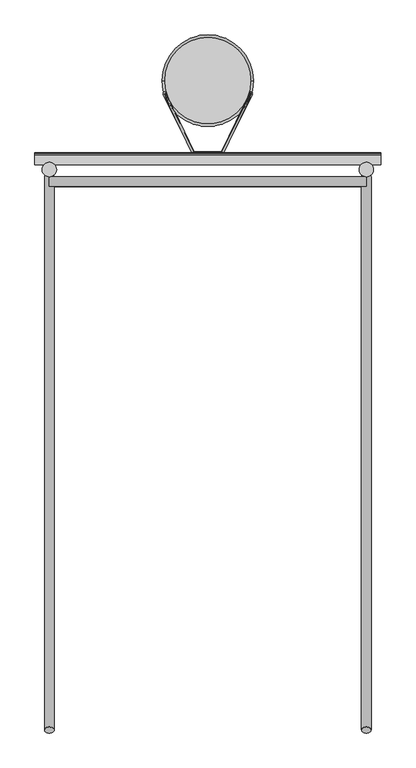
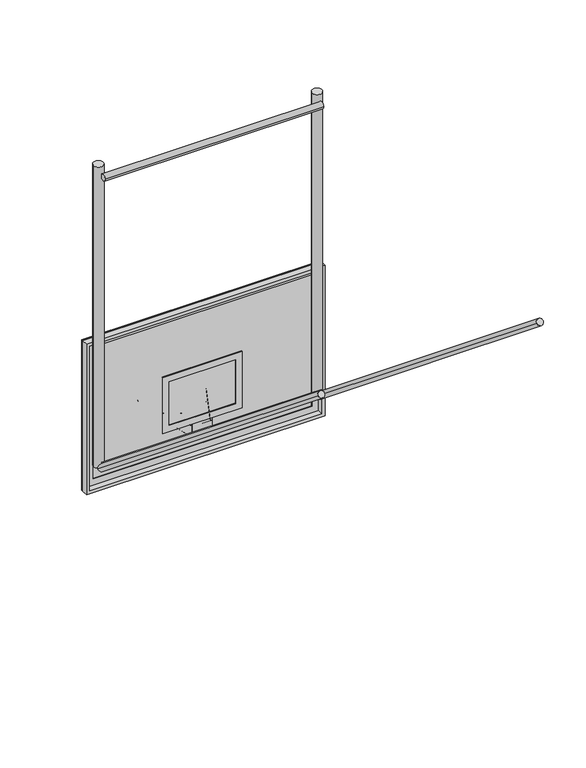
"""IFC4 building model written with IfcOpenShell, lengths in millimetres: proxy geometry."""

from ifc_helpers import new_model, si_unit, point, frame, frame_2d, origin, place, context, project, spatial, polyline, circle_curve, ellipse_curve, trimmed, segment, composite_curve, outline, extrude, source, transform, mapped, element, save
from ifc_brep_helpers import plane_surface, cylinder_surface, revolved_surface, advanced_brep


def specialty_equipment_7c40050d(model_context):
    return source(origin(), model_context, "Body", "SolidModel", [
        extrude(outline(composite_curve([segment(trimmed(circle_curve(frame_2d((-76.2, 0.0)), 25.4), [point((-50.8, 0.0))], [point((-101.6, 0.0))], False, "CARTESIAN"), True, "CONTINUOUS"), segment(trimmed(circle_curve(frame_2d((-76.2, 0.0)), 25.4), [point((-101.6, 0.0))], [point((-50.8, 0.0))], False, "CARTESIAN"), True, "CONTINUOUS")], self_intersect=False)), frame((914.4, -114.3, 3048.0), z_axis=(0.0, -0.7771459614569692, 0.6293203910498396), x_axis=(1.0, 0.0, 0.0)), (0.0, 0.0, 1.0), 3759.2),
        extrude(outline(composite_curve([segment(trimmed(circle_curve(frame_2d((-76.2, 0.0)), 25.4), [point((-50.8, 0.0))], [point((-101.6, 0.0))], False, "CARTESIAN"), True, "CONTINUOUS"), segment(trimmed(circle_curve(frame_2d((-76.2, 0.0)), 25.4), [point((-101.6, 0.0))], [point((-50.8, 0.0))], False, "CARTESIAN"), True, "CONTINUOUS")], self_intersect=False)), frame((-914.4, -114.3, 3048.0), z_axis=(0.0, -0.7771459614569691, 0.6293203910498396), x_axis=(-1.0, 0.0, 0.0)), (0.0, 0.0, 1.0), 3759.2),
        extrude(outline(composite_curve([segment(trimmed(circle_curve(frame_2d((-140.0761832, 3078.4192567)), 25.4), [point((-165.4761832, 3078.4192567))], [point((-114.6761832, 3078.4192567))], False, "CARTESIAN"), True, "CONTINUOUS"), segment(trimmed(circle_curve(frame_2d((-140.0761832, 3078.4192567)), 25.4), [point((-114.6761832, 3078.4192567))], [point((-165.4761832, 3078.4192567))], False, "CARTESIAN"), True, "CONTINUOUS")], self_intersect=False)), frame((-838.2, 0.0, 0.0), z_axis=(1.0, 0.0, 0.0), x_axis=(0.0, 1.0, 0.0)), (0.0, 0.0, 1.0), 1676.4),
        extrude(outline(composite_curve([segment(trimmed(circle_curve(frame_2d((-140.0761832, 5415.2192567)), 25.4), [point((-165.4761832, 5415.2192567))], [point((-114.6761832, 5415.2192567))], False, "CARTESIAN"), True, "CONTINUOUS"), segment(trimmed(circle_curve(frame_2d((-140.0761832, 5415.2192567)), 25.4), [point((-114.6761832, 5415.2192567))], [point((-165.4761832, 5415.2192567))], False, "CARTESIAN"), True, "CONTINUOUS")], self_intersect=False)), frame((-838.2, 0.0, 0.0), z_axis=(1.0, 0.0, 0.0), x_axis=(0.0, 1.0, 0.0)), (0.0, 0.0, 1.0), 1676.4),
        extrude(outline(composite_curve([segment(trimmed(circle_curve(frame_2d((-838.2, -76.2)), 38.1), [point((-876.3, -76.2))], [point((-800.1, -76.2))], False, "CARTESIAN"), True, "CONTINUOUS"), segment(trimmed(circle_curve(frame_2d((-838.2, -76.2)), 38.1), [point((-800.1, -76.2))], [point((-876.3, -76.2))], False, "CARTESIAN"), True, "CONTINUOUS")], self_intersect=False)), frame((0.0, 0.0, 3048.0), z_axis=(0.0, 0.0, 1.0), x_axis=(1.0, 0.0, 0.0)), (0.0, 0.0, 1.0), 2438.4),
        extrude(outline(composite_curve([segment(trimmed(circle_curve(frame_2d((838.2, -76.2)), 38.1), [point((876.3, -76.2))], [point((800.1, -76.2))], False, "CARTESIAN"), True, "CONTINUOUS"), segment(trimmed(circle_curve(frame_2d((838.2, -76.2)), 38.1), [point((800.1, -76.2))], [point((876.3, -76.2))], False, "CARTESIAN"), True, "CONTINUOUS")], self_intersect=False)), frame((0.0, 0.0, 3048.0), z_axis=(0.0, 0.0, 1.0), x_axis=(1.0, 0.0, 0.0)), (0.0, 0.0, 1.0), 2438.4),
        advanced_brep(
        [(-236.6789699, 395.5113338, 3042.0341814), (236.6789699, 395.5113338, 3042.0341814), (-114.3, 395.5113338, 2707.5151813), (114.3, 395.5113338, 2707.5151813)],
        [
            (0, 1, circle_curve(frame((0.0, 395.5113338, 3042.0341814), z_axis=(0.0, 0.0, 1.0), x_axis=(1.0, 0.0, 0.0)), 236.6789699)),
            (1, 0, circle_curve(frame((0.0, 395.5113338, 3042.0341814), z_axis=(0.0, 0.0, 1.0), x_axis=(-1.0, 0.0, 0.0)), 236.6789699)),
            (2, 3, circle_curve(frame((0.0, 395.5113338, 2707.5151813), z_axis=(0.0, 0.0, -1.0), x_axis=(-1.0, 0.0, 0.0)), 114.3)),
            (3, 2, circle_curve(frame((0.0, 395.5113338, 2707.5151813), z_axis=(0.0, 0.0, -1.0), x_axis=(1.0, 0.0, 0.0)), 114.3)),
            (2, 0),
            (1, 3),
        ],
        [
            plane_surface(frame((0.0, 395.5113338, 3042.0341814), z_axis=(0.0, 0.0, 1.0), x_axis=(0.0, 1.0, 0.0))),
            plane_surface(frame((0.0, 395.5113338, 2707.5151813), z_axis=(0.0, 0.0, -1.0), x_axis=(0.0, 1.0, 0.0))),
            revolved_surface(polyline([(-114.3000000051076, 395.5113338, 2707.5151813), (-236.6789699, 395.5113338, 3042.0341814)]), (0.0, 395.5113338, 2395.079787), (0.0, 0.0, 1.0)),
            revolved_surface(polyline([(114.3000000051076, 395.5113338, 2707.5151813), (236.6789699, 395.5113338, 3042.0341814)]), (0.0, 395.5113338, 2395.079787), (0.0, 0.0, 1.0)),
        ],
        [
            (0, [[1, 2]]),
            (1, [[3, 4]]),
            (2, [[5, -2, 6, -3]]),
            (3, [[-6, -1, -5, -4]]),
        ],
    ),
        advanced_brep(
        [(-235.8399415, 321.2580627, 3040.7989327), (-224.3912623, 326.5918433, 3042.1287936), (-72.2048994, 19.05, 2965.45), (-80.1951006, 6.7272443, 2962.3775919), (72.2048994, 19.05, 2965.45), (80.1951006, 6.7272443, 2962.3775919), (235.8399415, 321.2580627, 3040.7989327), (224.3912623, 326.5918433, 3042.1287936)],
        [
            (0, 1, circle_curve(frame((-230.1156019, 323.924953, 3041.4638631), z_axis=(-0.4328399193789917, 0.8746932651081373, 0.2180855248897866), x_axis=(0.9014708005210086, 0.41998272393508324, 0.10471345378737032)), 6.35)),
            (1, 0, circle_curve(frame((-230.1156019, 323.924953, 3041.4638631), z_axis=(-0.4328399193789917, 0.8746932651081373, 0.2180855248897866), x_axis=(0.9014708005210086, 0.41998272393508324, 0.10471345378737032)), 6.35)),
            (1, 2),
            (2, 3, ellipse_curve(frame((-76.2, 12.8886221, 2963.913796), z_axis=(-0.8464159495717788, 0.5167041485635194, 0.12882881342212485), x_axis=(0.5325223378511971, 0.8212737785213373, 0.20476655098619206)), 7.5022216, 6.35)),
            (3, 0),
            (3, 2, ellipse_curve(frame((-76.2, 12.8886221, 2963.913796), z_axis=(-0.8464159495717788, 0.5167041485635194, 0.12882881342212485), x_axis=(0.5325223378511971, 0.8212737785213373, 0.20476655098619206)), 7.5022216, 6.35)),
            (2, 4),
            (4, 5, ellipse_curve(frame((76.2, 12.8886221, 2963.913796), z_axis=(-0.8464159495717782, -0.5167041485635203, -0.12882881342212504), x_axis=(-0.5325223378511974, 0.8212737785213372, 0.20476655098619195)), 7.5022216, 6.35)),
            (5, 3),
            (5, 4, ellipse_curve(frame((76.2, 12.8886221, 2963.913796), z_axis=(-0.8464159495717782, -0.5167041485635203, -0.12882881342212504), x_axis=(-0.5325223378511974, 0.8212737785213372, 0.20476655098619195)), 7.5022216, 6.35)),
            (6, 7, circle_curve(frame((230.1156019, 323.924953, 3041.4638631), z_axis=(0.43283991937898986, 0.8746932651081383, 0.2180855248897868), x_axis=(-0.9014708005210095, 0.41998272393508135, 0.10471345378736992)), 6.35)),
            (7, 6, circle_curve(frame((230.1156019, 323.924953, 3041.4638631), z_axis=(0.43283991937898986, 0.8746932651081383, 0.2180855248897868), x_axis=(-0.9014708005210095, 0.41998272393508135, 0.10471345378736992)), 6.35)),
            (4, 7),
            (6, 5),
        ],
        [
            plane_surface(frame((-230.1156019, 1059.7666868, 90.1638673), z_axis=(-0.4328399193789915, 0.8746932651081376, 0.2180855248897867), x_axis=(0.0, -0.24192189559966143, 0.9702957262759981))),
            cylinder_surface(frame((-230.1156019, 323.924953, 3041.4638631), z_axis=(-0.4328399193789918, 0.8746932651081375, 0.21808552488978666), x_axis=(0.9014708005210086, 0.41998272393508324, 0.10471345378737032)), 6.35),
            cylinder_surface(frame((-76.2, 12.8886221, 2963.913796), z_axis=(-1.0, 0.0, 0.0), x_axis=(0.0, 0.970295726275998, 0.24192189559966143)), 6.35),
            plane_surface(frame((230.1156019, 1059.7666868, 90.1638673), z_axis=(0.4328399193789902, 0.8746932651081383, 0.21808552488978683), x_axis=(0.0, -0.24192189559966137, 0.9702957262759981))),
            cylinder_surface(frame((76.2, 12.8886221, 2963.913796), z_axis=(-0.43283991937898986, -0.8746932651081383, -0.2180855248897868), x_axis=(-0.9014708005210095, 0.41998272393508135, 0.10471345378736992)), 6.35),
        ],
        [
            (0, [[1, 2]]),
            (1, [[3, 4, 5, -2]]),
            (1, [[-5, 6, -3, -1]]),
            (2, [[7, 8, 9, -4]]),
            (2, [[-9, 10, -7, -6]]),
            (3, [[11, 12]]),
            (4, [[13, -11, 14, -8]]),
            (4, [[-14, -12, -13, -10]]),
        ],
    ),
        extrude(outline(polyline([(76.2, 19.05), (76.2, 0.0), (-76.2, 0.0), (-76.2, 19.05), (76.2, 19.05)])), frame((0.0, 0.0, 2943.225), z_axis=(0.0, 0.0, 1.0), x_axis=(1.0, 0.0, 0.0)), (0.0, 0.0, 1.0), 152.4),
        advanced_brep(
        [(-235.8399415, 330.5097483, 3041.65), (-224.3912623, 336.0068153, 3041.65), (-72.2048994, 19.05, 3041.65), (-80.1951006, 6.35, 3041.65), (72.2048994, 19.05, 3041.65), (80.1951006, 6.35, 3041.65), (235.8399415, 330.5097483, 3041.65), (224.3912623, 336.0068153, 3041.65)],
        [
            (0, 1, circle_curve(frame((-230.1156019, 333.2582818, 3041.65), z_axis=(-0.4328399193789917, 0.9014708005210087, 0.0), x_axis=(0.9014708005210087, 0.4328399193789917, 0.0)), 6.35)),
            (1, 0, circle_curve(frame((-230.1156019, 333.2582818, 3041.65), z_axis=(-0.4328399193789917, 0.9014708005210087, 0.0), x_axis=(0.9014708005210087, 0.4328399193789917, 0.0)), 6.35)),
            (1, 2),
            (2, 3, ellipse_curve(frame((-76.2, 12.7, 3041.65), z_axis=(-0.8464159495717786, 0.5325223378511968, 0.0), x_axis=(0.5325223378511967, 0.8464159495717788, 0.0)), 7.5022216, 6.35)),
            (3, 0),
            (3, 2, ellipse_curve(frame((-76.2, 12.7, 3041.65), z_axis=(-0.8464159495717786, 0.5325223378511968, 0.0), x_axis=(0.5325223378511967, 0.8464159495717788, 0.0)), 7.5022216, 6.35)),
            (2, 4),
            (4, 5, ellipse_curve(frame((76.2, 12.7, 3041.65), z_axis=(-0.8464159495717782, -0.5325223378511977, 0.0), x_axis=(-0.5325223378511974, 0.8464159495717782, 0.0)), 7.5022216, 6.35)),
            (5, 3),
            (5, 4, ellipse_curve(frame((76.2, 12.7, 3041.65), z_axis=(-0.8464159495717782, -0.5325223378511977, 0.0), x_axis=(-0.5325223378511974, 0.8464159495717782, 0.0)), 7.5022216, 6.35)),
            (6, 7, circle_curve(frame((230.1156019, 333.2582818, 3041.65), z_axis=(0.4328399193789898, 0.9014708005210095, 0.0), x_axis=(-0.9014708005210095, 0.4328399193789898, 0.0)), 6.35)),
            (7, 6, circle_curve(frame((230.1156019, 333.2582818, 3041.65), z_axis=(0.4328399193789898, 0.9014708005210095, 0.0), x_axis=(-0.9014708005210095, 0.4328399193789898, 0.0)), 6.35)),
            (4, 7),
            (6, 5),
        ],
        [
            plane_surface(frame((-230.1156019, 333.2582818, 0.0), z_axis=(-0.43283991937899147, 0.9014708005210087, 0.0), x_axis=(0.0, 0.0, 1.0))),
            cylinder_surface(frame((-230.1156019, 333.2582818, 3041.65), z_axis=(-0.4328399193789917, 0.9014708005210087, 0.0), x_axis=(0.9014708005210087, 0.4328399193789917, 0.0)), 6.35),
            cylinder_surface(frame((-76.2, 12.7, 3041.65), z_axis=(-1.0, 0.0, 0.0), x_axis=(0.0, 1.0, 0.0)), 6.35),
            plane_surface(frame((230.1156019, 333.2582818, 0.0), z_axis=(0.4328399193789899, 0.9014708005210094, 0.0), x_axis=(0.0, 0.0, 1.0))),
            cylinder_surface(frame((76.2, 12.7, 3041.65), z_axis=(-0.4328399193789898, -0.9014708005210095, 0.0), x_axis=(-0.9014708005210095, 0.4328399193789898, 0.0)), 6.35),
        ],
        [
            (0, [[1, 2]]),
            (1, [[3, 4, 5, -2]]),
            (1, [[-5, 6, -3, -1]]),
            (2, [[7, 8, 9, -4]]),
            (2, [[-9, 10, -7, -6]]),
            (3, [[11, 12]]),
            (4, [[13, -11, 14, -8]]),
            (4, [[-14, -12, -13, -10]]),
        ],
    ),
        advanced_brep(
        [(228.6, 393.7, 3041.65), (241.3, 393.7, 3041.65), (-241.3, 393.7, 3041.65), (-228.6, 393.7, 3041.65)],
        [
            (0, 1, circle_curve(frame((234.95, 393.7, 3041.65), z_axis=(0.0, 1.0, 0.0), x_axis=(-1.0, 0.0, 0.0)), 6.35)),
            (1, 2, circle_curve(frame((0.0, 393.7, 3041.65), z_axis=(0.0, 0.0, 1.0), x_axis=(-1.0, 0.0, 0.0)), 241.3)),
            (2, 3, circle_curve(frame((-234.95, 393.7, 3041.65), z_axis=(0.0, 1.0, 0.0), x_axis=(1.0, 0.0, 0.0)), 6.35)),
            (3, 0, circle_curve(frame((0.0, 393.7, 3041.65), z_axis=(0.0, 0.0, -1.0), x_axis=(-1.0, 0.0, 0.0)), 228.6)),
            (1, 0, circle_curve(frame((234.95, 393.7, 3041.65), z_axis=(0.0, 1.0, 0.0), x_axis=(-1.0, 0.0, 0.0)), 6.35)),
            (3, 2, circle_curve(frame((-234.95, 393.7, 3041.65), z_axis=(0.0, 1.0, 0.0), x_axis=(1.0, 0.0, 0.0)), 6.35)),
            (2, 1, circle_curve(frame((0.0, 393.7, 3041.65), z_axis=(0.0, 0.0, 1.0), x_axis=(1.0, 0.0, 0.0)), 241.3)),
            (0, 3, circle_curve(frame((0.0, 393.7, 3041.65), z_axis=(0.0, 0.0, -1.0), x_axis=(1.0, 0.0, 0.0)), 228.6)),
        ],
        [
            revolved_surface(trimmed(ellipse_curve(frame((-234.95, 393.7, 3041.65), z_axis=(0.0, 1.0, 0.0), x_axis=(1.0, 0.0, 0.0)), 6.35, 6.35), [point((-241.3, 393.7, 3041.65))], [point((-228.6, 393.7, 3041.65))], True, "CARTESIAN"), (0.0, 393.7, 0.0), (0.0, 0.0, 1.0)),
            revolved_surface(trimmed(ellipse_curve(frame((-234.95, 393.7, 3041.65), z_axis=(0.0, 1.0, 0.0), x_axis=(1.0, 0.0, 0.0)), 6.35, 6.35), [point((-228.6, 393.7, 3041.65))], [point((-241.3, 393.7, 3041.65))], True, "CARTESIAN"), (0.0, 393.7, 0.0), (0.0, 0.0, 1.0)),
            revolved_surface(trimmed(ellipse_curve(frame((234.95, 393.7, 3041.65), z_axis=(0.0, -1.0, 0.0), x_axis=(-1.0, 0.0, 0.0)), 6.35, 6.35), [point((241.3, 393.7, 3041.65))], [point((228.6, 393.7, 3041.65))], True, "CARTESIAN"), (0.0, 393.7, 0.0), (0.0, 0.0, 1.0)),
            revolved_surface(trimmed(ellipse_curve(frame((234.95, 393.7, 3041.65), z_axis=(0.0, -1.0, 0.0), x_axis=(-1.0, 0.0, 0.0)), 6.35, 6.35), [point((228.6, 393.7, 3041.65))], [point((241.3, 393.7, 3041.65))], True, "CARTESIAN"), (0.0, 393.7, 0.0), (0.0, 0.0, 1.0)),
        ],
        [
            (0, [[1, 2, 3, 4]]),
            (1, [[5, -4, 6, -2]]),
            (2, [[-3, 7, -1, 8]]),
            (3, [[-6, -8, -5, -7]]),
        ],
    ),
        extrude(outline(polyline([(4035.425, 914.4), (4035.425, -914.4), (2816.225, -914.4), (2816.225, 914.4), (4035.425, 914.4)]), holes=[polyline([(2841.625, -889.0), (4010.025, -889.0), (4010.025, 889.0), (2841.625, 889.0), (2841.625, -889.0)])]), frame((0.0, -50.8, 0.0), z_axis=(0.0, 1.0, 0.0), x_axis=(0.0, 0.0, 1.0)), (0.0, 0.0, 1.0), 50.8),
        extrude(outline(polyline([(4035.425, 914.4), (4035.425, -914.4), (2816.225, -914.4), (2816.225, 914.4), (4035.425, 914.4)]), holes=[polyline([(2892.425, -838.2), (3959.225, -838.2), (3959.225, 838.2), (2892.425, 838.2), (2892.425, -838.2)])]), frame((0.0, -6.35, 0.0), z_axis=(0.0, 1.0, 0.0), x_axis=(0.0, 0.0, 1.0)), (0.0, 0.0, 1.0), 12.7),
        extrude(outline(polyline([(3527.425, 304.8), (3527.425, -304.8), (3070.225, -304.8), (3070.225, 304.8), (3527.425, 304.8)]), holes=[polyline([(3121.025, -254.0), (3476.625, -254.0), (3476.625, 254.0), (3121.025, 254.0), (3121.025, -254.0)])]), frame((0.0, -6.35, 0.0), z_axis=(0.0, 1.0, 0.0), x_axis=(0.0, 0.0, 1.0)), (0.0, 0.0, 1.0), 12.7),
        extrude(outline(polyline([(914.4, 12.7), (914.4, 0.0), (-914.4, 0.0), (-914.4, 12.7), (914.4, 12.7)])), frame((0.0, 0.0, 2816.225), z_axis=(0.0, 0.0, 1.0), x_axis=(1.0, 0.0, 0.0)), (0.0, 0.0, 1.0), 1219.2),
    ])


if __name__ == "__main__":
    model = new_model("IFC4")
    model_context = context("Model", 3, world=origin())
    ifc_project = project(units=[si_unit("LENGTHUNIT", "METRE", prefix="MILLI")], contexts=[model_context])
    site = spatial("IfcSite", under=ifc_project)
    building = spatial("IfcBuilding", under=site)
    placement = place(None, origin())
    specialty_equipment_shape = specialty_equipment_7c40050d(model_context)
    element("IfcBuildingElementProxy", 1, Name="Specialty Equipment", at=placement, inside=building, context=model_context, shape_type="MappedRepresentation", body=[
        mapped(specialty_equipment_shape, transform((0.0, 0.0, 0.0), x_axis=(1.0, 0.0, 0.0), y_axis=(0.0, 1.0, 0.0), z_axis=(0.0, 0.0, 1.0))),
    ])
    save(model, "model.ifc")
